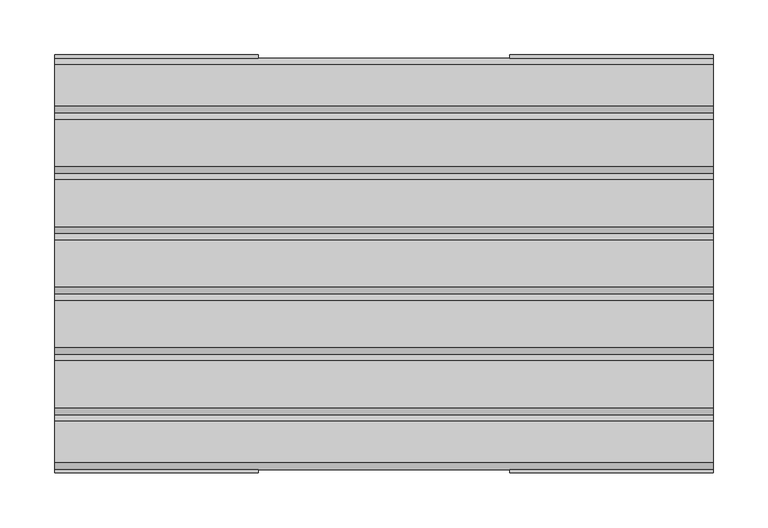
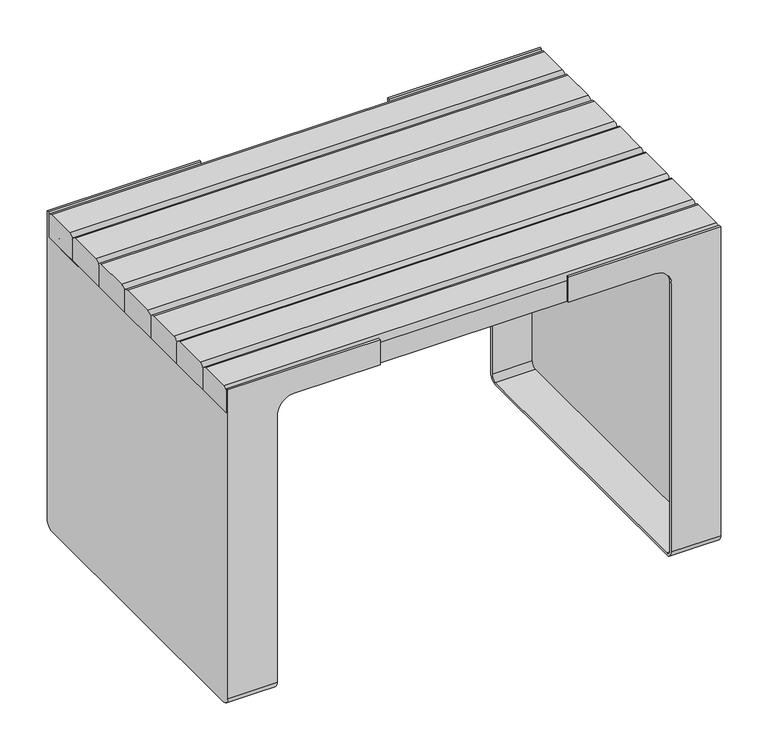
"""IFC4 building model written with IfcOpenShell, lengths in millimetres: furniture geometry."""

from ifc_helpers import new_model, si_unit, point, frame, frame_2d, origin, place, context, project, spatial, polyline, circle_curve, trimmed, segment, composite_curve, outline, extrude, source, transform, mapped, element, save
from ifc_brep_helpers import plane_surface, cylinder_surface, revolved_surface, advanced_brep


def furniture_fbf1eeca(model_context):
    return source(origin(), model_context, "Body", "SolidModel", [
        advanced_brep(
        [(239.9998856, 190.4999943, 10.0), (239.9998856, 180.4999943, 0.0), (239.9998856, -180.5000057, 0.0), (239.9998856, -190.5000057, 10.0), (239.9998856, -190.5000057, 355.0000029), (239.9998856, -187.4999958, 355.0000029), (239.9998856, -187.5000057, 9.6519473), (239.9998856, -180.5000057, 2.6519473), (239.9998856, 180.4999958, 2.6519473), (239.9998856, 187.4999958, 9.6519473), (239.9998856, 187.4999958, 355.0000029), (239.9998856, 190.4999943, 355.0000029), (239.9998856, -187.4999958, 375.0000029), (239.9998856, 187.4999958, 375.0000029), (239.9998856, 187.4999958, 365.0000043), (239.9998856, 180.4999958, 372.0000043), (239.9998856, -180.5000057, 372.0000043), (239.9998856, -187.5000057, 365.0000043), (300.0000023, -190.5000057, 10.0), (300.0000023, -180.5000057, 0.0), (300.0000023, 180.4999943, 0.0), (300.0000023, 190.4999943, 10.0), (300.0000023, 190.5000057, 407.5), (300.0000023, 187.4999958, 407.5), (300.0000023, 187.4999958, 375.0000029), (300.0000023, -187.4999958, 375.0000029), (300.0000023, -187.4999958, 407.5), (300.0000023, -190.5000057, 407.5), (219.9998856, 190.4999943, 375.0000029), (114.6665474, 190.4999943, 375.0000029), (114.6665474, 190.4999943, 407.5), (114.6665474, -190.5000057, 407.5), (114.6665474, -190.5000057, 375.0000029), (219.9998856, -190.5000057, 375.0000029), (289.0000025, 187.4999958, 365.0000043), (289.0000025, 187.4999958, 9.6519473), (289.0000025, 180.4999958, 2.6519473), (289.0000025, -180.5000057, 2.6519473), (289.0000025, -187.5000057, 9.6519473), (289.0000025, -187.5000057, 365.0000043), (289.0000025, -180.5000057, 372.0000043), (289.0000025, 180.4999958, 372.0000043), (219.9998856, -187.4999958, 375.0000029), (114.6665474, -187.4999958, 375.0000029), (114.6665474, -187.4999958, 407.5), (114.6665474, 187.4999958, 407.5), (114.6665474, 187.4999958, 375.0000029), (219.9998856, 187.4999958, 375.0000029)],
        [
            (0, 1, circle_curve(frame((239.9998856, 180.4999943, 10.0), z_axis=(-1.0, 0.0, 0.0), x_axis=(0.0, -1.0, 0.0)), 10.0)),
            (1, 2),
            (2, 3, circle_curve(frame((239.9998856, -180.5000057, 10.0), z_axis=(-1.0, 0.0, 0.0), x_axis=(0.0, -1.0, 0.0)), 10.0)),
            (3, 4),
            (4, 5),
            (5, 6),
            (6, 7, circle_curve(frame((239.9998856, -180.5000057, 9.6519473), z_axis=(1.0, 0.0, 0.0), x_axis=(0.0, -1.0, 0.0)), 7.0)),
            (7, 8),
            (8, 9, circle_curve(frame((239.9998856, 180.4999958, 9.6519473), z_axis=(1.0, 0.0, 0.0), x_axis=(0.0, -1.0, 0.0)), 7.0)),
            (9, 10),
            (10, 11),
            (11, 0),
            (12, 13),
            (13, 14),
            (14, 15, circle_curve(frame((239.9998856, 180.4999958, 365.0000043), z_axis=(1.0, 0.0, 0.0), x_axis=(0.0, -1.0, 0.0)), 7.0)),
            (15, 16),
            (16, 17, circle_curve(frame((239.9998856, -180.5000057, 365.0000043), z_axis=(1.0, 0.0, 0.0), x_axis=(0.0, -1.0, 0.0)), 7.0)),
            (17, 12),
            (18, 19, circle_curve(frame((300.0000023, -180.5000057, 10.0), z_axis=(1.0, 0.0, 0.0), x_axis=(0.0, -1.0, 0.0)), 10.0)),
            (19, 20),
            (20, 21, circle_curve(frame((300.0000023, 180.4999943, 10.0), z_axis=(1.0, 0.0, 0.0), x_axis=(0.0, -1.0, 0.0)), 10.0)),
            (21, 22),
            (22, 23),
            (23, 24),
            (24, 25),
            (25, 26),
            (26, 27),
            (27, 18),
            (21, 0),
            (11, 28, circle_curve(frame((219.9998856, 190.4999943, 355.0000029), z_axis=(0.0, -1.0, 0.0), x_axis=(-1.0, 0.0, 0.0)), 20.0)),
            (28, 29),
            (29, 30),
            (30, 22),
            (12, 25),
            (24, 13),
            (3, 18),
            (27, 31),
            (31, 32),
            (32, 33),
            (33, 4, circle_curve(frame((219.9998856, -190.5000057, 355.0000029), z_axis=(0.0, 1.0, 0.0), x_axis=(-1.0, 0.0, 0.0)), 20.0)),
            (2, 19),
            (1, 20),
            (34, 35),
            (35, 36, circle_curve(frame((289.0000025, 180.4999958, 9.6519473), z_axis=(-1.0, 0.0, 0.0), x_axis=(0.0, -1.0, 0.0)), 7.0)),
            (36, 37),
            (37, 38, circle_curve(frame((289.0000025, -180.5000057, 9.6519473), z_axis=(-1.0, 0.0, 0.0), x_axis=(0.0, -1.0, 0.0)), 7.0)),
            (38, 39),
            (39, 40, circle_curve(frame((289.0000025, -180.5000057, 365.0000043), z_axis=(-1.0, 0.0, 0.0), x_axis=(0.0, -1.0, 0.0)), 7.0)),
            (40, 41),
            (41, 34, circle_curve(frame((289.0000025, 180.4999958, 365.0000043), z_axis=(-1.0, 0.0, 0.0), x_axis=(0.0, -1.0, 0.0)), 7.0)),
            (40, 16),
            (15, 41),
            (36, 8),
            (7, 37),
            (14, 34),
            (39, 17),
            (6, 38),
            (35, 9),
            (42, 43),
            (43, 44),
            (44, 26),
            (5, 42, circle_curve(frame((219.9998856, -187.4999958, 355.0000029), z_axis=(0.0, -1.0, 0.0), x_axis=(-1.0, 0.0, 0.0)), 20.0)),
            (32, 43),
            (42, 33),
            (31, 44),
            (23, 45),
            (45, 46),
            (46, 47),
            (47, 10, circle_curve(frame((219.9998856, 187.4999958, 355.0000029), z_axis=(0.0, 1.0, 0.0), x_axis=(-1.0, 0.0, 0.0)), 20.0)),
            (28, 47),
            (46, 29),
            (45, 30),
        ],
        [
            plane_surface(frame((239.9998856, 170.4999943, 10.0), z_axis=(-1.0, 0.0, 0.0), x_axis=(0.0, 0.0, 1.0))),
            plane_surface(frame((300.0000023, 170.4999943, 10.0), z_axis=(1.0, 0.0, 0.0), x_axis=(0.0, 0.0, -1.0))),
            plane_surface(frame((239.9998856, 190.4999943, 375.0000029), z_axis=(0.0, 1.0, 0.0), x_axis=(1.0, 0.0, 0.0))),
            plane_surface(frame((239.9998856, -190.5000057, 375.0000029), z_axis=(0.0, 0.0, 1.0), x_axis=(1.0, 0.0, 0.0))),
            plane_surface(frame((239.9998856, -190.5000057, 10.0), z_axis=(0.0, -1.0, 0.0), x_axis=(1.0, 0.0, 0.0))),
            cylinder_surface(frame((300.0000023, -180.5000057, 10.0), z_axis=(-1.0, 0.0, 0.0), x_axis=(0.0, -1.0, 0.0)), 10.0),
            plane_surface(frame((239.9998856, 180.4999943, 0.0), z_axis=(0.0, 0.0, -1.0), x_axis=(1.0, 0.0, 0.0))),
            cylinder_surface(frame((300.0000023, 180.4999943, 10.0), z_axis=(-1.0, 0.0, 0.0), x_axis=(0.0, -1.0, 0.0)), 10.0),
            plane_surface(frame((289.0000025, 187.4999958, 11.3137092), z_axis=(-1.0, 0.0, 0.0), x_axis=(0.0, 0.0, 1.0))),
            plane_surface(frame((170.0000067, -180.5000057, 372.0000043), z_axis=(0.0, 0.0, -1.0), x_axis=(1.0, 0.0, 0.0))),
            plane_surface(frame((170.0000067, 180.4999958, 2.6519473), z_axis=(0.0, 0.0, 1.0), x_axis=(1.0, 0.0, 0.0))),
            revolved_surface(polyline([(239.9998856, 173.4999958, 365.0000043), (289.0000025, 173.4999958, 365.0000043)]), (289.0000025, 180.4999958, 365.0000043), (-1.0, 0.0, 0.0)),
            revolved_surface(polyline([(239.9998856, -187.5000057, 365.0000043), (289.0000025, -187.5000057, 365.0000043)]), (289.0000025, -180.5000057, 365.0000043), (-1.0, 0.0, 0.0)),
            revolved_surface(polyline([(239.9998856, -187.5000057, 9.6519473), (289.0000025, -187.5000057, 9.6519473)]), (289.0000025, -180.5000057, 9.6519473), (-1.0, 0.0, 0.0)),
            revolved_surface(polyline([(239.9998856, 173.4999958, 9.6519473), (289.0000025, 173.4999958, 9.6519473)]), (289.0000025, 180.4999958, 9.6519473), (-1.0, 0.0, 0.0)),
            plane_surface(frame((300.0000023, -187.4999958, 425.0000032), z_axis=(0.0, 1.0, 0.0), x_axis=(0.0, 0.0, -1.0))),
            plane_surface(frame((114.6665474, -190.5000057, 375.0000029), z_axis=(0.0, 0.0, -1.0), x_axis=(0.0, 1.0, 0.0))),
            plane_surface(frame((114.6665474, -190.5000057, 407.5), z_axis=(-1.0, 0.0, 0.0), x_axis=(0.0, 1.0, 0.0))),
            plane_surface(frame((300.0000023, -190.5000057, 407.5), z_axis=(0.0, 0.0, 1.0), x_axis=(0.0, 1.0, 0.0))),
            revolved_surface(polyline([(199.9998856, -187.4999958, 355.0000029), (199.9998856, -190.5000057, 355.0000029)]), (219.9998856, -187.4999958, 355.0000029), (0.0, 1.0, 0.0)),
            plane_surface(frame((219.999998, 187.4999958, 375.0000029), z_axis=(0.0, -1.0, 0.0), x_axis=(1.0, 0.0, 0.0))),
            plane_surface(frame((219.9998856, 190.5000057, 375.0000029), z_axis=(0.0, 0.0, -1.0), x_axis=(0.0, -1.0, 0.0))),
            plane_surface(frame((114.6665474, 190.5000057, 375.0000029), z_axis=(-1.0, 0.0, 0.0), x_axis=(0.0, -1.0, 0.0))),
            plane_surface(frame((114.6665474, 190.5000057, 407.5), z_axis=(0.0, 0.0, 1.0), x_axis=(0.0, -1.0, 0.0))),
            revolved_surface(polyline([(199.9998856, 187.4999958, 355.0000029), (199.9998856, 190.4999943, 355.0000029)]), (219.9998856, 187.4999958, 355.0000029), (0.0, -1.0, 0.0)),
        ],
        [
            (0, [[1, 2, 3, 4, 5, 6, 7, 8, 9, 10, 11, 12]]),
            (0, [[13, 14, 15, 16, 17, 18]]),
            (1, [[19, 20, 21, 22, 23, 24, 25, 26, 27, 28]]),
            (2, [[29, -12, 30, 31, 32, 33, -22]]),
            (3, [[34, -25, 35, -13]]),
            (4, [[36, -28, 37, 38, 39, 40, -4]]),
            (5, [[-3, 41, -19, -36]]),
            (6, [[-2, 42, -20, -41]]),
            (7, [[-1, -29, -21, -42]]),
            (8, [[43, 44, 45, 46, 47, 48, 49, 50]]),
            (9, [[-49, 51, -16, 52]]),
            (10, [[-45, 53, -8, 54]]),
            (11, [[-50, -52, -15, 55]]),
            (12, [[-48, 56, -17, -51]]),
            (13, [[-46, -54, -7, 57]]),
            (14, [[-44, 58, -9, -53]]),
            (15, [[59, 60, 61, -26, -34, -18, -56, -47, -57, -6, 62]]),
            (16, [[-39, 63, -59, 64]]),
            (17, [[-38, 65, -60, -63]]),
            (18, [[-37, -27, -61, -65]]),
            (19, [[-40, -64, -62, -5]]),
            (20, [[-24, 66, 67, 68, 69, -10, -58, -43, -55, -14, -35]]),
            (21, [[-31, 70, -68, 71]]),
            (22, [[-32, -71, -67, 72]]),
            (23, [[-33, -72, -66, -23]]),
            (24, [[-30, -11, -69, -70]]),
        ],
    ),
        advanced_brep(
        [(-239.9998856, -190.5000057, 10.0), (-239.9998856, -180.5000057, 0.0), (-239.9998856, 180.4999943, 0.0), (-239.9998856, 190.4999943, 10.0), (-239.9998856, 190.4999943, 355.0000029), (-239.9998856, 187.4999958, 355.0000029), (-239.9998856, 187.4999958, 9.6519473), (-239.9998856, 180.4999958, 2.6519473), (-239.9998856, -180.5000057, 2.6519473), (-239.9998856, -187.5000057, 9.6519473), (-239.9998856, -187.5000057, 355.0000029), (-239.9998856, -190.5000057, 355.0000029), (-239.9998856, -187.4999958, 375.0000029), (-239.9998856, -187.5000057, 365.0000043), (-239.9998856, -180.5000057, 372.0000043), (-239.9998856, 180.4999958, 372.0000043), (-239.9998856, 187.4999958, 365.0000043), (-239.9998856, 187.4999958, 375.0000029), (-300.0000023, 190.4999943, 10.0), (-300.0000023, 180.4999943, 0.0), (-300.0000023, -180.5000057, 0.0), (-300.0000023, -190.5000057, 10.0), (-300.0000023, -190.5000057, 407.5), (-300.0000023, -187.4999958, 407.5), (-300.0000023, -187.4999958, 375.0000029), (-300.0000023, 187.4999958, 375.0000029), (-300.0000023, 187.4999958, 407.5), (-300.0000023, 190.5000057, 407.5), (-114.6665474, 190.4999943, 407.5), (-114.6665474, 190.4999943, 375.0000029), (-219.9998856, 190.4999943, 375.0000029), (-219.9998856, -190.5000057, 375.0000029), (-114.6665474, -190.5000057, 375.0000029), (-114.6665474, -190.5000057, 407.5), (-289.0000025, 187.4999958, 365.0000043), (-289.0000025, 180.4999958, 372.0000043), (-289.0000025, -180.5000057, 372.0000043), (-289.0000025, -187.5000057, 365.0000043), (-289.0000025, -187.5000057, 9.6519473), (-289.0000025, -180.5000057, 2.6519473), (-289.0000025, 180.4999958, 2.6519473), (-289.0000025, 187.4999958, 9.6519473), (-219.9998856, 187.4999958, 375.0000029), (-114.6665474, 187.4999958, 375.0000029), (-114.6665474, 187.4999958, 407.5), (-114.6665474, -187.4999958, 407.5), (-114.6665474, -187.4999958, 375.0000029), (-219.9998856, -187.4999958, 375.0000029)],
        [
            (0, 1, circle_curve(frame((-239.9998856, -180.5000057, 10.0), z_axis=(1.0, 0.0, 0.0), x_axis=(0.0, -1.0, 0.0)), 10.0)),
            (1, 2),
            (2, 3, circle_curve(frame((-239.9998856, 180.4999943, 10.0), z_axis=(1.0, 0.0, 0.0), x_axis=(0.0, -1.0, 0.0)), 10.0)),
            (3, 4),
            (4, 5),
            (5, 6),
            (6, 7, circle_curve(frame((-239.9998856, 180.4999958, 9.6519473), z_axis=(-1.0, 0.0, 0.0), x_axis=(0.0, -1.0, 0.0)), 7.0)),
            (7, 8),
            (8, 9, circle_curve(frame((-239.9998856, -180.5000057, 9.6519473), z_axis=(-1.0, 0.0, 0.0), x_axis=(0.0, -1.0, 0.0)), 7.0)),
            (9, 10),
            (10, 11),
            (11, 0),
            (12, 13),
            (13, 14, circle_curve(frame((-239.9998856, -180.5000057, 365.0000043), z_axis=(-1.0, 0.0, 0.0), x_axis=(0.0, -1.0, 0.0)), 7.0)),
            (14, 15),
            (15, 16, circle_curve(frame((-239.9998856, 180.4999958, 365.0000043), z_axis=(-1.0, 0.0, 0.0), x_axis=(0.0, -1.0, 0.0)), 7.0)),
            (16, 17),
            (17, 12),
            (18, 19, circle_curve(frame((-300.0000023, 180.4999943, 10.0), z_axis=(-1.0, 0.0, 0.0), x_axis=(0.0, -1.0, 0.0)), 10.0)),
            (19, 20),
            (20, 21, circle_curve(frame((-300.0000023, -180.5000057, 10.0), z_axis=(-1.0, 0.0, 0.0), x_axis=(0.0, -1.0, 0.0)), 10.0)),
            (21, 22),
            (22, 23),
            (23, 24),
            (24, 25),
            (25, 26),
            (26, 27),
            (27, 18),
            (27, 28),
            (28, 29),
            (29, 30),
            (30, 4, circle_curve(frame((-219.9998856, 190.4999943, 355.0000029), z_axis=(0.0, -1.0, 0.0), x_axis=(1.0, 0.0, 0.0)), 20.0)),
            (3, 18),
            (24, 12),
            (17, 25),
            (21, 0),
            (11, 31, circle_curve(frame((-219.9998856, -190.5000057, 355.0000029), z_axis=(0.0, 1.0, 0.0), x_axis=(1.0, 0.0, 0.0)), 20.0)),
            (31, 32),
            (32, 33),
            (33, 22),
            (20, 1),
            (19, 2),
            (34, 35, circle_curve(frame((-289.0000025, 180.4999958, 365.0000043), z_axis=(1.0, 0.0, 0.0), x_axis=(0.0, -1.0, 0.0)), 7.0)),
            (35, 36),
            (36, 37, circle_curve(frame((-289.0000025, -180.5000057, 365.0000043), z_axis=(1.0, 0.0, 0.0), x_axis=(0.0, -1.0, 0.0)), 7.0)),
            (37, 38),
            (38, 39, circle_curve(frame((-289.0000025, -180.5000057, 9.6519473), z_axis=(1.0, 0.0, 0.0), x_axis=(0.0, -1.0, 0.0)), 7.0)),
            (39, 40),
            (40, 41, circle_curve(frame((-289.0000025, 180.4999958, 9.6519473), z_axis=(1.0, 0.0, 0.0), x_axis=(0.0, -1.0, 0.0)), 7.0)),
            (41, 34),
            (35, 15),
            (14, 36),
            (39, 8),
            (7, 40),
            (41, 6),
            (5, 42, circle_curve(frame((-219.9998856, 187.4999958, 355.0000029), z_axis=(0.0, 1.0, 0.0), x_axis=(1.0, 0.0, 0.0)), 20.0)),
            (42, 43),
            (43, 44),
            (44, 26),
            (16, 34),
            (13, 37),
            (38, 9),
            (29, 43),
            (42, 30),
            (28, 44),
            (23, 45),
            (45, 46),
            (46, 47),
            (47, 10, circle_curve(frame((-219.9998856, -187.4999958, 355.0000029), z_axis=(0.0, -1.0, 0.0), x_axis=(1.0, 0.0, 0.0)), 20.0)),
            (31, 47),
            (46, 32),
            (45, 33),
        ],
        [
            plane_surface(frame((-239.9998856, 190.4999943, 375.0000029), z_axis=(1.0, 0.0, 0.0), x_axis=(0.0, 0.0, 1.0))),
            plane_surface(frame((-300.0000023, 190.4999943, 375.0000029), z_axis=(-1.0, 0.0, 0.0), x_axis=(0.0, 0.0, -1.0))),
            plane_surface(frame((-239.9998856, 190.4999943, 10.0), z_axis=(0.0, 1.0, 0.0), x_axis=(-1.0, 0.0, 0.0))),
            plane_surface(frame((-239.9998856, 190.4999943, 375.0000029), z_axis=(0.0, 0.0, 1.0), x_axis=(-1.0, 0.0, 0.0))),
            plane_surface(frame((-239.9998856, -190.5000057, 375.0000029), z_axis=(0.0, -1.0, 0.0), x_axis=(-1.0, 0.0, 0.0))),
            cylinder_surface(frame((-300.0000023, -180.5000057, 10.0), z_axis=(1.0, 0.0, 0.0), x_axis=(0.0, -1.0, 0.0)), 10.0),
            plane_surface(frame((-239.9998856, -180.5000057, 0.0), z_axis=(0.0, 0.0, -1.0), x_axis=(-1.0, 0.0, 0.0))),
            cylinder_surface(frame((-300.0000023, 180.4999943, 10.0), z_axis=(1.0, 0.0, 0.0), x_axis=(0.0, -1.0, 0.0)), 10.0),
            plane_surface(frame((-289.0000025, 173.4999958, 365.0000043), z_axis=(1.0, 0.0, 0.0), x_axis=(0.0, 0.0, 1.0))),
            plane_surface(frame((-170.0000067, 180.4999958, 372.0000043), z_axis=(0.0, 0.0, -1.0), x_axis=(-1.0, 0.0, 0.0))),
            plane_surface(frame((-170.0000067, -180.5000057, 2.6519473), z_axis=(0.0, 0.0, 1.0), x_axis=(-1.0, 0.0, 0.0))),
            plane_surface(frame((-170.0000067, 187.4999958, 9.6519473), z_axis=(0.0, -1.0, 0.0), x_axis=(-1.0, 0.0, 0.0))),
            revolved_surface(polyline([(-239.9998856, 173.4999958, 365.0000043), (-289.0000025, 173.4999958, 365.0000043)]), (-289.0000025, 180.4999958, 365.0000043), (1.0, 0.0, 0.0)),
            revolved_surface(polyline([(-239.9998856, -187.5000057, 365.0000043), (-289.0000025, -187.5000057, 365.0000043)]), (-289.0000025, -180.5000057, 365.0000043), (1.0, 0.0, 0.0)),
            revolved_surface(polyline([(-239.9998856, -187.5000057, 9.6519473), (-289.0000025, -187.5000057, 9.6519473)]), (-289.0000025, -180.5000057, 9.6519473), (1.0, 0.0, 0.0)),
            revolved_surface(polyline([(-239.9998856, 173.4999958, 9.6519473), (-289.0000025, 173.4999958, 9.6519473)]), (-289.0000025, 180.4999958, 9.6519473), (1.0, 0.0, 0.0)),
            plane_surface(frame((-114.6665474, 190.5000057, 375.0000029), z_axis=(0.0, 0.0, -1.0), x_axis=(0.0, -1.0, 0.0))),
            plane_surface(frame((-114.6665474, 190.5000057, 407.5), z_axis=(1.0, 0.0, 0.0), x_axis=(0.0, -1.0, 0.0))),
            plane_surface(frame((-300.0000023, 190.5000057, 407.5), z_axis=(0.0, 0.0, 1.0), x_axis=(0.0, -1.0, 0.0))),
            revolved_surface(polyline([(-199.9998856, 187.4999958, 355.0000029), (-199.9998856, 190.4999943, 355.0000029)]), (-219.9998856, 187.4999958, 355.0000029), (0.0, -1.0, 0.0)),
            plane_surface(frame((-219.999998, -187.4999958, 375.0000029), z_axis=(0.0, 1.0, 0.0), x_axis=(-1.0, 0.0, 0.0))),
            plane_surface(frame((-219.9998856, -190.5000057, 375.0000029), z_axis=(0.0, 0.0, -1.0), x_axis=(0.0, 1.0, 0.0))),
            plane_surface(frame((-114.6665474, -190.5000057, 375.0000029), z_axis=(1.0, 0.0, 0.0), x_axis=(0.0, 1.0, 0.0))),
            plane_surface(frame((-114.6665474, -190.5000057, 407.5), z_axis=(0.0, 0.0, 1.0), x_axis=(0.0, 1.0, 0.0))),
            revolved_surface(polyline([(-199.9998856, -187.4999958, 355.0000029), (-199.9998856, -190.5000057, 355.0000029)]), (-219.9998856, -187.4999958, 355.0000029), (0.0, 1.0, 0.0)),
        ],
        [
            (0, [[1, 2, 3, 4, 5, 6, 7, 8, 9, 10, 11, 12]]),
            (0, [[13, 14, 15, 16, 17, 18]]),
            (1, [[19, 20, 21, 22, 23, 24, 25, 26, 27, 28]]),
            (2, [[-28, 29, 30, 31, 32, -4, 33]]),
            (3, [[34, -18, 35, -25]]),
            (4, [[36, -12, 37, 38, 39, 40, -22]]),
            (5, [[-1, -36, -21, 41]]),
            (6, [[-2, -41, -20, 42]]),
            (7, [[-3, -42, -19, -33]]),
            (8, [[43, 44, 45, 46, 47, 48, 49, 50]]),
            (9, [[-44, 51, -15, 52]]),
            (10, [[-48, 53, -8, 54]]),
            (11, [[-50, 55, -6, 56, 57, 58, 59, -26, -35, -17, 60]]),
            (12, [[-43, -60, -16, -51]]),
            (13, [[-45, -52, -14, 61]]),
            (14, [[-47, 62, -9, -53]]),
            (15, [[-49, -54, -7, -55]]),
            (16, [[-31, 63, -57, 64]]),
            (17, [[-30, 65, -58, -63]]),
            (18, [[-29, -27, -59, -65]]),
            (19, [[-32, -64, -56, -5]]),
            (20, [[-24, 66, 67, 68, 69, -10, -62, -46, -61, -13, -34]]),
            (21, [[-38, 70, -68, 71]]),
            (22, [[-39, -71, -67, 72]]),
            (23, [[-40, -72, -66, -23]]),
            (24, [[-37, -11, -69, -70]]),
        ],
    ),
        extrude(outline(composite_curve([segment(trimmed(circle_curve(frame_2d((88.4999913, 401.5)), 6.0), [point((82.4999913, 401.5))], [point((88.4999913, 407.5))], False, "CARTESIAN"), True, "CONTINUOUS"), segment(polyline([(88.4999913, 407.5), (131.4849653, 407.5)]), True, "CONTINUOUS"), segment(trimmed(circle_curve(frame_2d((131.4849653, 401.48497)), 6.01503), [point((131.4849653, 407.5))], [point((137.4999954, 401.48497))], False, "CARTESIAN"), True, "CONTINUOUS"), segment(polyline([(137.4999954, 401.48497), (137.4999954, 375.0000029), (82.4999913, 375.0000029), (82.4999913, 401.5)]), True, "CONTINUOUS")], self_intersect=False)), frame((-300.0000023, 0.0, 0.0), z_axis=(1.0, 0.0, 0.0), x_axis=(0.0, 1.0, 0.0)), (0.0, 0.0, 1.0), 600.0000046),
        extrude(outline(composite_curve([segment(trimmed(circle_curve(frame_2d((-21.4999963, 401.5)), 6.0), [point((-27.4999963, 401.5))], [point((-21.4999963, 407.5))], False, "CARTESIAN"), True, "CONTINUOUS"), segment(polyline([(-21.4999963, 407.5), (21.4849663, 407.5)]), True, "CONTINUOUS"), segment(trimmed(circle_curve(frame_2d((21.4849663, 401.48497)), 6.01503), [point((21.4849663, 407.5))], [point((27.4999963, 401.48497))], False, "CARTESIAN"), True, "CONTINUOUS"), segment(polyline([(27.4999963, 401.48497), (27.4999963, 375.0000029), (-27.4999963, 375.0000029), (-27.4999963, 401.5)]), True, "CONTINUOUS")], self_intersect=False)), frame((-300.0000023, 0.0, 0.0), z_axis=(1.0, 0.0, 0.0), x_axis=(0.0, 1.0, 0.0)), (0.0, 0.0, 1.0), 600.0000046),
        extrude(outline(composite_curve([segment(trimmed(circle_curve(frame_2d((-131.4999954, 401.5)), 6.0), [point((-137.4999954, 401.5))], [point((-131.4999954, 407.5))], False, "CARTESIAN"), True, "CONTINUOUS"), segment(polyline([(-131.4999954, 407.5), (-88.5150214, 407.5)]), True, "CONTINUOUS"), segment(trimmed(circle_curve(frame_2d((-88.5150214, 401.48497)), 6.01503), [point((-88.5150214, 407.5))], [point((-82.4999913, 401.48497))], False, "CARTESIAN"), True, "CONTINUOUS"), segment(polyline([(-82.4999913, 401.48497), (-82.4999913, 375.0000029), (-137.4999954, 375.0000029), (-137.4999954, 401.5)]), True, "CONTINUOUS")], self_intersect=False)), frame((-300.0000023, 0.0, 0.0), z_axis=(1.0, 0.0, 0.0), x_axis=(0.0, 1.0, 0.0)), (0.0, 0.0, 1.0), 600.0000046),
        extrude(outline(composite_curve([segment(polyline([(82.4999913, 401.5), (82.4999913, 375.0000029), (27.4999963, 375.0000029), (27.4999963, 401.5)]), True, "CONTINUOUS"), segment(trimmed(circle_curve(frame_2d((33.4999963, 401.5)), 6.0), [point((27.4999963, 401.5))], [point((33.4999963, 407.5))], False, "CARTESIAN"), True, "CONTINUOUS"), segment(polyline([(33.4999963, 407.5), (76.4999913, 407.5)]), True, "CONTINUOUS"), segment(trimmed(circle_curve(frame_2d((76.4999913, 401.5)), 6.0), [point((76.4999913, 407.5))], [point((82.4999913, 401.5))], False, "CARTESIAN"), True, "CONTINUOUS")], self_intersect=False)), frame((-300.0000023, 0.0, 0.0), z_axis=(1.0, 0.0, 0.0), x_axis=(0.0, 1.0, 0.0)), (0.0, 0.0, 1.0), 600.0000046),
        extrude(outline(composite_curve([segment(polyline([(-27.4999963, 401.5), (-27.4999963, 375.0000029), (-82.4999913, 375.0000029), (-82.4999913, 401.5)]), True, "CONTINUOUS"), segment(trimmed(circle_curve(frame_2d((-76.4999913, 401.5)), 6.0), [point((-82.4999913, 401.5))], [point((-76.4999913, 407.5))], False, "CARTESIAN"), True, "CONTINUOUS"), segment(polyline([(-76.4999913, 407.5), (-33.4999963, 407.5)]), True, "CONTINUOUS"), segment(trimmed(circle_curve(frame_2d((-33.4999963, 401.5)), 6.0), [point((-33.4999963, 407.5))], [point((-27.4999963, 401.5))], False, "CARTESIAN"), True, "CONTINUOUS")], self_intersect=False)), frame((-300.0000023, 0.0, 0.0), z_axis=(1.0, 0.0, 0.0), x_axis=(0.0, 1.0, 0.0)), (0.0, 0.0, 1.0), 600.0000046),
        extrude(outline(composite_curve([segment(polyline([(-137.4999954, 401.5), (-137.4999954, 375.0000029), (-187.4999958, 375.0000029), (-187.4999958, 401.5)]), True, "CONTINUOUS"), segment(trimmed(circle_curve(frame_2d((-181.4999958, 401.5)), 6.0), [point((-187.4999958, 401.5))], [point((-181.4999958, 407.5))], False, "CARTESIAN"), True, "CONTINUOUS"), segment(polyline([(-181.4999958, 407.5), (-143.4999954, 407.5)]), True, "CONTINUOUS"), segment(trimmed(circle_curve(frame_2d((-143.4999954, 401.5)), 6.0), [point((-143.4999954, 407.5))], [point((-137.4999954, 401.5))], False, "CARTESIAN"), True, "CONTINUOUS")], self_intersect=False)), frame((-300.0000023, 0.0, 0.0), z_axis=(1.0, 0.0, 0.0), x_axis=(0.0, 1.0, 0.0)), (0.0, 0.0, 1.0), 600.0000046),
        extrude(outline(composite_curve([segment(trimmed(circle_curve(frame_2d((143.4999954, 401.5)), 6.0), [point((137.4999954, 401.5))], [point((143.4999954, 407.5))], False, "CARTESIAN"), True, "CONTINUOUS"), segment(polyline([(143.4999954, 407.5), (181.4849657, 407.5)]), True, "CONTINUOUS"), segment(trimmed(circle_curve(frame_2d((181.4849657, 401.48497)), 6.01503), [point((181.4849657, 407.5))], [point((187.4999958, 401.48497))], False, "CARTESIAN"), True, "CONTINUOUS"), segment(polyline([(187.4999958, 401.48497), (187.4999958, 375.0000029), (137.4999954, 375.0000029), (137.4999954, 401.5)]), True, "CONTINUOUS")], self_intersect=False)), frame((-300.0000023, 0.0, 0.0), z_axis=(1.0, 0.0, 0.0), x_axis=(0.0, 1.0, 0.0)), (0.0, 0.0, 1.0), 600.0000046),
    ])


if __name__ == "__main__":
    model = new_model("IFC4")
    model_context = context("Model", 3, world=origin())
    ifc_project = project(units=[si_unit("LENGTHUNIT", "METRE", prefix="MILLI")], contexts=[model_context])
    site = spatial("IfcSite", under=ifc_project)
    building = spatial("IfcBuilding", under=site)
    placement = place(None, origin())
    furniture_shape = furniture_fbf1eeca(model_context)
    element("IfcFurniture", 1, at=placement, inside=building, context=model_context, shape_type="MappedRepresentation", body=[
        mapped(furniture_shape, transform((0.0, 0.0, 0.0), x_axis=(1.0, 0.0, 0.0), y_axis=(0.0, 1.0, 0.0), z_axis=(0.0, 0.0, 1.0))),
    ])
    save(model, "model.ifc")
